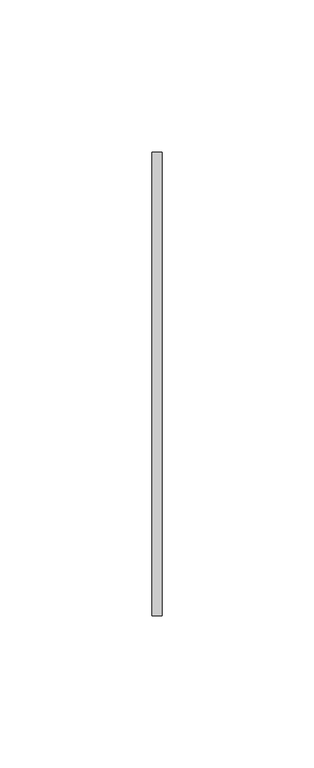
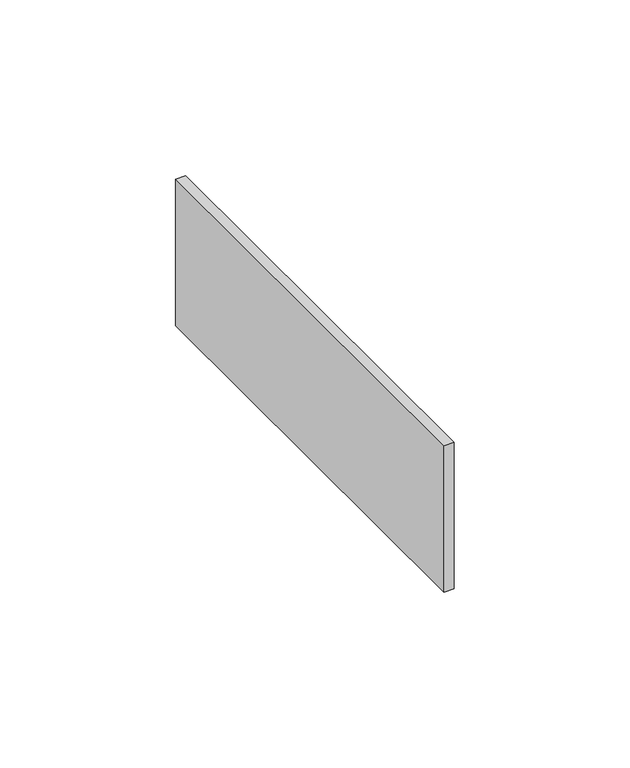
"""IFC4 building model written with IfcOpenShell, lengths in millimetres: furniture geometry."""

from ifc_helpers import new_model, si_unit, origin, place, context, project, spatial, triangles, source, transform, mapped, element, save


def furniture_8e104368(model_context):
    return source(origin(), model_context, "Body", "Tessellation", [
        triangles([(-3.302, 76.2, 671.5760136), (-3.302, -76.2, 671.5760136), (0.0, -76.2, 671.5760136), (0.0, 76.2, 671.5760136), (-3.302, -76.2, 620.7759893), (0.0, -76.2, 620.7759893), (-3.302, 76.2, 620.7759893), (0.0, 76.2, 620.7759893)], [[1, 2, 3], [1, 3, 4], [2, 5, 6], [2, 6, 3], [1, 7, 5], [1, 5, 2], [4, 8, 7], [4, 7, 1], [3, 6, 8], [3, 8, 4], [5, 7, 8], [5, 8, 6]]),
    ])


if __name__ == "__main__":
    model = new_model("IFC4")
    model_context = context("Model", 3, world=origin())
    ifc_project = project(units=[si_unit("LENGTHUNIT", "METRE", prefix="MILLI")], contexts=[model_context])
    site = spatial("IfcSite", under=ifc_project)
    building = spatial("IfcBuilding", under=site)
    placement = place(None, origin())
    furniture_shape = furniture_8e104368(model_context)
    element("IfcFurniture", 1, at=placement, inside=building, context=model_context, shape_type="MappedRepresentation", body=[
        mapped(furniture_shape, transform((0.0, 0.0, 0.0), x_axis=(1.0, 0.0, 0.0), y_axis=(0.0, 1.0, 0.0), z_axis=(0.0, 0.0, 1.0))),
    ])
    save(model, "model.ifc")
